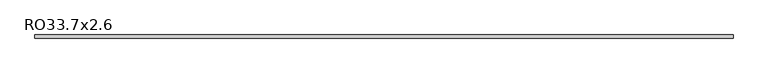
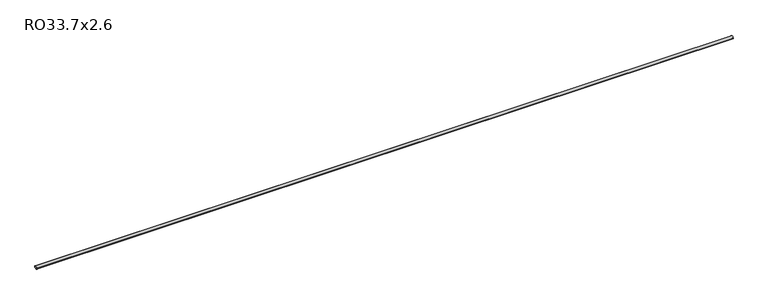
"""IFC4 building model written with IfcOpenShell, lengths in millimetres: beam geometry, RO33.7x2.6."""

from ifc_helpers import new_model, si_unit, point, frame, origin, origin_2d, place, context, project, spatial, circle_curve, trimmed, segment, composite_curve, outline, extrude, source, transform, mapped, element, save


def ro33_7x2_6_4a4ca7ea(model_context):
    return source(origin(), model_context, "Body", "SweptSolid", [
        extrude(outline(composite_curve([segment(trimmed(circle_curve(origin_2d(), 16.85), [point((16.85, 0.0))], [point((-16.85, 0.0))], False, "CARTESIAN"), True, "CONTINUOUS"), segment(trimmed(circle_curve(origin_2d(), 16.85), [point((-16.85, 0.0))], [point((16.85, 0.0))], False, "CARTESIAN"), True, "CONTINUOUS")], self_intersect=False), holes=[composite_curve([segment(trimmed(circle_curve(origin_2d(), 14.25), [point((-14.25, 0.0))], [point((14.25, 0.0))], True, "CARTESIAN"), True, "CONTINUOUS"), segment(trimmed(circle_curve(origin_2d(), 14.25), [point((14.25, 0.0))], [point((-14.25, 0.0))], True, "CARTESIAN"), True, "CONTINUOUS")], self_intersect=False)]), frame((-3778.5, 0.0, 0.0), z_axis=(1.0, 0.0, 0.0), x_axis=(0.0, 1.0, 0.0)), (0.0, 0.0, 1.0), 7603.8),
    ])


if __name__ == "__main__":
    model = new_model("IFC4")
    model_context = context("Model", 3, world=origin())
    ifc_project = project(units=[si_unit("LENGTHUNIT", "METRE", prefix="MILLI")], contexts=[model_context])
    site = spatial("IfcSite", under=ifc_project)
    building = spatial("IfcBuilding", under=site)
    placement = place(None, origin())
    ro33_7x2_6_shape = ro33_7x2_6_4a4ca7ea(model_context)
    element("IfcBeam", 1, ObjectType="RO33.7x2.6", at=placement, inside=building, context=model_context, shape_type="MappedRepresentation", body=[
        mapped(ro33_7x2_6_shape, transform((0.0, 0.0, 0.0), x_axis=(1.0, 0.0, 0.0), y_axis=(0.0, 1.0, 0.0), z_axis=(0.0, 0.0, 1.0))),
    ])
    save(model, "model.ifc")
